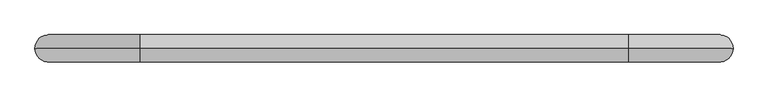
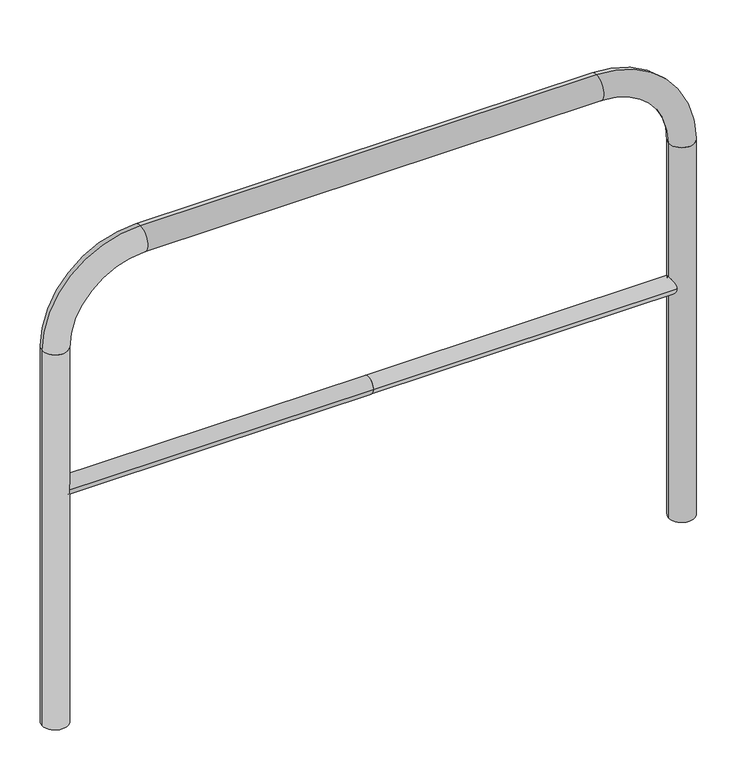
"""IFC4 building model written with IfcOpenShell, lengths in millimetres: proxy geometry."""

from ifc_helpers import new_model, si_unit, point, frame, frame_2d, origin, place, context, project, spatial, circle_curve, ellipse_curve, trimmed, segment, composite_curve, outline, extrude, source, transform, mapped, element, save
from ifc_brep_helpers import plane_surface, cylinder_surface, revolved_surface, advanced_brep


def generic_models_7a7af04d(model_context):
    return source(origin(), model_context, "Body", "SolidModel", [
        extrude(outline(composite_curve([segment(trimmed(circle_curve(frame_2d((0.0, 498.4778375)), 20.0), [point((-20.0, 498.4778375))], [point((20.0, 498.4778375))], False, "CARTESIAN"), True, "CONTINUOUS"), segment(trimmed(circle_curve(frame_2d((0.0, 498.4778375)), 20.0), [point((20.0, 498.4778375))], [point((-20.0, 498.4778375))], False, "CARTESIAN"), True, "CONTINUOUS")], self_intersect=False)), frame((-735.1703455, 0.0, 0.0), z_axis=(1.0, 0.0, 0.0), x_axis=(0.0, 1.0, 0.0)), (0.0, 0.0, 1.0), 735.1703455),
        extrude(outline(composite_curve([segment(trimmed(circle_curve(frame_2d((0.0, 498.4778375)), 20.0), [point((-20.0, 498.4778375))], [point((20.0, 498.4778375))], False, "CARTESIAN"), True, "CONTINUOUS"), segment(trimmed(circle_curve(frame_2d((0.0, 498.4778375)), 20.0), [point((20.0, 498.4778375))], [point((-20.0, 498.4778375))], False, "CARTESIAN"), True, "CONTINUOUS")], self_intersect=False)), frame((0.0, 0.0, 0.0), z_axis=(1.0, 0.0, 0.0), x_axis=(0.0, 1.0, 0.0)), (0.0, 0.0, 1.0), 735.1703455),
        advanced_brep(
        [(-705.1703455, 0.0, -80.0), (-765.1703455, 0.0, -80.0), (-705.1703455, 0.0, 850.0), (-765.1703455, 0.0, 850.0), (-535.1703455, 0.0, 1080.0), (-535.1703455, 0.0, 1020.0), (535.1703455, 0.0, 1020.0), (535.1703455, 0.0, 1080.0), (765.1703455, 0.0, 850.0), (705.1703455, 0.0, 850.0), (705.1703455, 0.0, -80.0), (765.1703455, 0.0, -80.0)],
        [
            (0, 1, circle_curve(frame((-735.1703455, 0.0, -80.0), z_axis=(0.0, 0.0, -1.0), x_axis=(-1.0, 0.0, 0.0)), 30.0)),
            (1, 0, circle_curve(frame((-735.1703455, 0.0, -80.0), z_axis=(0.0, 0.0, -1.0), x_axis=(-1.0, 0.0, 0.0)), 30.0)),
            (0, 2),
            (2, 3, circle_curve(frame((-735.1703455, 0.0, 850.0), z_axis=(0.0, 0.0, -1.0), x_axis=(-1.0, 0.0, 0.0)), 30.0)),
            (3, 1),
            (3, 2, circle_curve(frame((-735.1703455, 0.0, 850.0), z_axis=(0.0, 0.0, -1.0), x_axis=(-1.0, 0.0, 0.0)), 30.0)),
            (4, 3, circle_curve(frame((-535.1703455, 0.0, 850.0), z_axis=(0.0, -1.0, 0.0), x_axis=(-1.0, 0.0, 0.0)), 230.0)),
            (2, 5, circle_curve(frame((-535.1703455, 0.0, 850.0), z_axis=(0.0, 1.0, 0.0), x_axis=(-1.0, 0.0, 0.0)), 170.0)),
            (5, 4, circle_curve(frame((-535.1703455, 0.0, 1050.0), z_axis=(-1.0, 0.0, 0.0), x_axis=(0.0, 0.0, 1.0)), 30.0)),
            (4, 5, circle_curve(frame((-535.1703455, 0.0, 1050.0), z_axis=(-1.0, 0.0, 0.0), x_axis=(0.0, 0.0, 1.0)), 30.0)),
            (5, 6),
            (6, 7, circle_curve(frame((535.1703455, 0.0, 1050.0), z_axis=(-1.0, 0.0, 0.0), x_axis=(0.0, 0.0, 1.0)), 30.0)),
            (7, 4),
            (7, 6, circle_curve(frame((535.1703455, 0.0, 1050.0), z_axis=(-1.0, 0.0, 0.0), x_axis=(0.0, 0.0, 1.0)), 30.0)),
            (8, 7, circle_curve(frame((535.1703455, 0.0, 850.0), z_axis=(0.0, -1.0, 0.0), x_axis=(0.0, 0.0, 1.0)), 230.0)),
            (6, 9, circle_curve(frame((535.1703455, 0.0, 850.0), z_axis=(0.0, 1.0, 0.0), x_axis=(0.0, 0.0, 1.0)), 170.0)),
            (9, 8, circle_curve(frame((735.1703455, 0.0, 850.0), z_axis=(0.0, 0.0, 1.0), x_axis=(1.0, 0.0, 0.0)), 30.0)),
            (8, 9, circle_curve(frame((735.1703455, 0.0, 850.0), z_axis=(0.0, 0.0, 1.0), x_axis=(1.0, 0.0, 0.0)), 30.0)),
            (10, 11, circle_curve(frame((735.1703455, 0.0, -80.0), z_axis=(0.0, 0.0, -1.0), x_axis=(1.0, 0.0, 0.0)), 30.0)),
            (11, 10, circle_curve(frame((735.1703455, 0.0, -80.0), z_axis=(0.0, 0.0, -1.0), x_axis=(1.0, 0.0, 0.0)), 30.0)),
            (9, 10),
            (11, 8),
        ],
        [
            plane_surface(frame((-735.1703455, 0.0, -80.0), z_axis=(0.0, 0.0, -1.0), x_axis=(0.0, -1.0, 0.0))),
            cylinder_surface(frame((-735.1703455, 0.0, -80.0), z_axis=(0.0, 0.0, -1.0), x_axis=(-1.0, 0.0, 0.0)), 30.0),
            revolved_surface(trimmed(ellipse_curve(frame((-735.1703455, 0.0, 850.0), z_axis=(0.0, 0.0, -1.0), x_axis=(-1.0, 0.0, 0.0)), 30.0, 30.0), [point((-705.1703455, 0.0, 850.0))], [point((-765.1703455, 0.0, 850.0))], True, "CARTESIAN"), (-535.1703455, 0.0, 850.0), (0.0, 1.0, 0.0)),
            revolved_surface(trimmed(ellipse_curve(frame((-735.1703455, 0.0, 850.0), z_axis=(0.0, 0.0, -1.0), x_axis=(-1.0, 0.0, 0.0)), 30.0, 30.0), [point((-765.1703455, 0.0, 850.0))], [point((-705.1703455, 0.0, 850.0))], True, "CARTESIAN"), (-535.1703455, 0.0, 850.0), (0.0, 1.0, 0.0)),
            cylinder_surface(frame((-535.1703455, 0.0, 1050.0), z_axis=(-1.0, 0.0, 0.0), x_axis=(0.0, 0.0, 1.0)), 30.0),
            revolved_surface(trimmed(ellipse_curve(frame((535.1703455, 0.0, 1050.0), z_axis=(-1.0, 0.0, 0.0), x_axis=(0.0, 0.0, 1.0)), 30.0, 30.0), [point((535.1703455, 0.0, 1020.0))], [point((535.1703455, 0.0, 1080.0))], True, "CARTESIAN"), (535.1703455, 0.0, 850.0), (0.0, 1.0, 0.0)),
            revolved_surface(trimmed(ellipse_curve(frame((535.1703455, 0.0, 1050.0), z_axis=(-1.0, 0.0, 0.0), x_axis=(0.0, 0.0, 1.0)), 30.0, 30.0), [point((535.1703455, 0.0, 1080.0))], [point((535.1703455, 0.0, 1020.0))], True, "CARTESIAN"), (535.1703455, 0.0, 850.0), (0.0, 1.0, 0.0)),
            plane_surface(frame((735.1703455, 0.0, -80.0), z_axis=(0.0, 0.0, -1.0), x_axis=(0.0, -1.0, 0.0))),
            cylinder_surface(frame((735.1703455, 0.0, 850.0), z_axis=(0.0, 0.0, 1.0), x_axis=(1.0, 0.0, 0.0)), 30.0),
        ],
        [
            (0, [[1, 2]]),
            (1, [[-1, 3, 4, 5]]),
            (1, [[-2, -5, 6, -3]]),
            (2, [[7, -4, 8, 9]]),
            (3, [[-8, -6, -7, 10]]),
            (4, [[-9, 11, 12, 13]]),
            (4, [[-10, -13, 14, -11]]),
            (5, [[15, -12, 16, 17]]),
            (6, [[-16, -14, -15, 18]]),
            (7, [[19, 20]]),
            (8, [[-17, 21, -20, 22]]),
            (8, [[-18, -22, -19, -21]]),
        ],
    ),
    ])


if __name__ == "__main__":
    model = new_model("IFC4")
    model_context = context("Model", 3, world=origin())
    ifc_project = project(units=[si_unit("LENGTHUNIT", "METRE", prefix="MILLI")], contexts=[model_context])
    site = spatial("IfcSite", under=ifc_project)
    building = spatial("IfcBuilding", under=site)
    placement = place(None, origin())
    generic_models_shape = generic_models_7a7af04d(model_context)
    element("IfcBuildingElementProxy", 1, Name="Generic Models", at=placement, inside=building, context=model_context, shape_type="MappedRepresentation", body=[
        mapped(generic_models_shape, transform((0.0, 0.0, 0.0), x_axis=(1.0, 0.0, 0.0), y_axis=(0.0, 1.0, 0.0), z_axis=(0.0, 0.0, 1.0))),
    ])
    save(model, "model.ifc")
